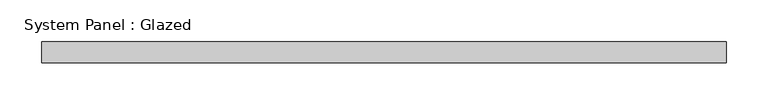
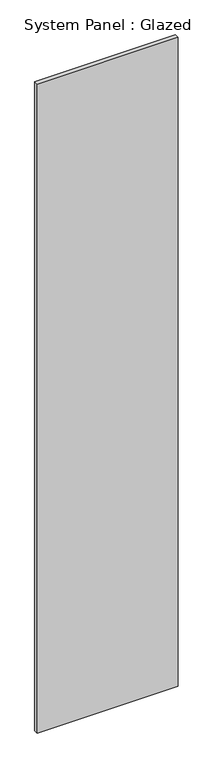
"""IFC4 building model written with IfcOpenShell, lengths in millimetres: plate geometry, System Panel : Glazed."""

from ifc_helpers import new_model, si_unit, origin, origin_with_axes, place, context, project, spatial, polyline, outline, extrude, source, transform, mapped, element, save


def system_panel_glazed_fad43985(model_context):
    return source(origin(), model_context, "Body", "SweptSolid", [
        extrude(outline(polyline([(410.5177143, -49.5), (-410.5177143, -49.5), (-410.5177143, -24.5), (410.5177143, -24.5), (410.5177143, -49.5)])), origin_with_axes(), (0.0, 0.0, 1.0), 4000.0),
    ])


if __name__ == "__main__":
    model = new_model("IFC4")
    model_context = context("Model", 3, world=origin())
    ifc_project = project(units=[si_unit("LENGTHUNIT", "METRE", prefix="MILLI")], contexts=[model_context])
    site = spatial("IfcSite", under=ifc_project)
    building = spatial("IfcBuilding", under=site)
    placement = place(None, origin())
    system_panel_glazed_shape = system_panel_glazed_fad43985(model_context)
    element("IfcPlate", 1, ObjectType="System Panel : Glazed", at=placement, inside=building, context=model_context, shape_type="MappedRepresentation", body=[
        mapped(system_panel_glazed_shape, transform((0.0, 0.0, 0.0), x_axis=(1.0, 0.0, 0.0), y_axis=(0.0, 1.0, 0.0), z_axis=(0.0, 0.0, 1.0))),
    ])
    save(model, "model.ifc")
